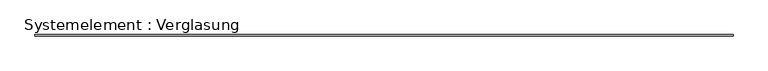
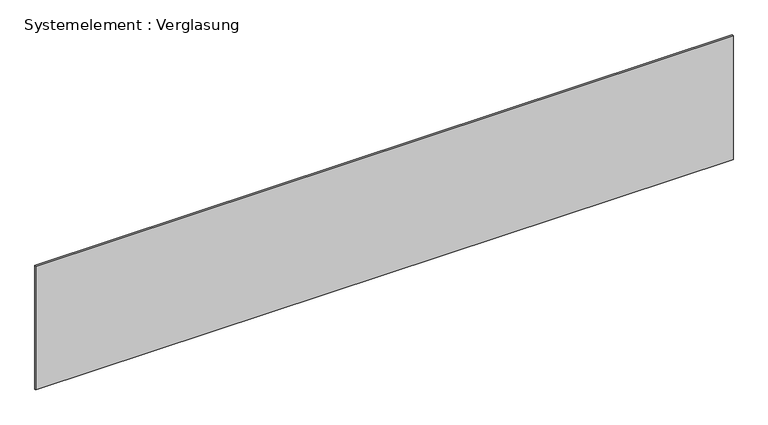
"""IFC4 building model written with IfcOpenShell, lengths in millimetres: plate geometry, Systemelement : Verglasung."""

from ifc_helpers import new_model, si_unit, origin, origin_with_axes, place, context, project, spatial, polyline, outline, extrude, source, transform, mapped, element, save


def systemelement_verglasung_67f22dd0(model_context):
    return source(origin(), model_context, "Body", "SweptSolid", [
        extrude(outline(polyline([(7565.0, -15.0), (-7565.0, -15.0), (-7565.0, 15.0), (7565.0, 15.0), (7565.0, -15.0)])), origin_with_axes(), (0.0, 0.0, 1.0), 2840.0),
    ])


if __name__ == "__main__":
    model = new_model("IFC4")
    model_context = context("Model", 3, world=origin())
    ifc_project = project(units=[si_unit("LENGTHUNIT", "METRE", prefix="MILLI")], contexts=[model_context])
    site = spatial("IfcSite", under=ifc_project)
    building = spatial("IfcBuilding", under=site)
    placement = place(None, origin())
    systemelement_verglasung_shape = systemelement_verglasung_67f22dd0(model_context)
    element("IfcPlate", 1, ObjectType="Systemelement : Verglasung", at=placement, inside=building, context=model_context, shape_type="MappedRepresentation", body=[
        mapped(systemelement_verglasung_shape, transform((0.0, 0.0, 0.0), x_axis=(1.0, 0.0, 0.0), y_axis=(0.0, 1.0, 0.0), z_axis=(0.0, 0.0, 1.0))),
    ])
    save(model, "model.ifc")
